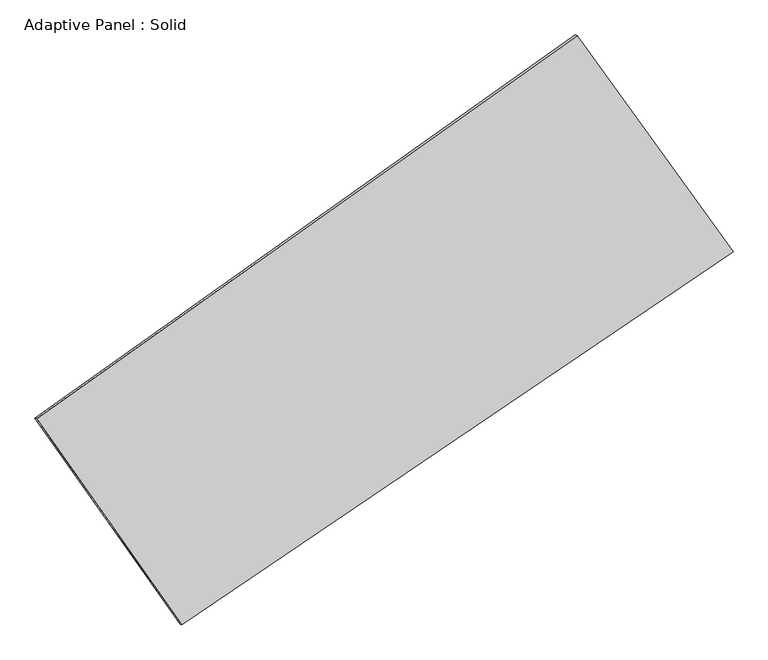
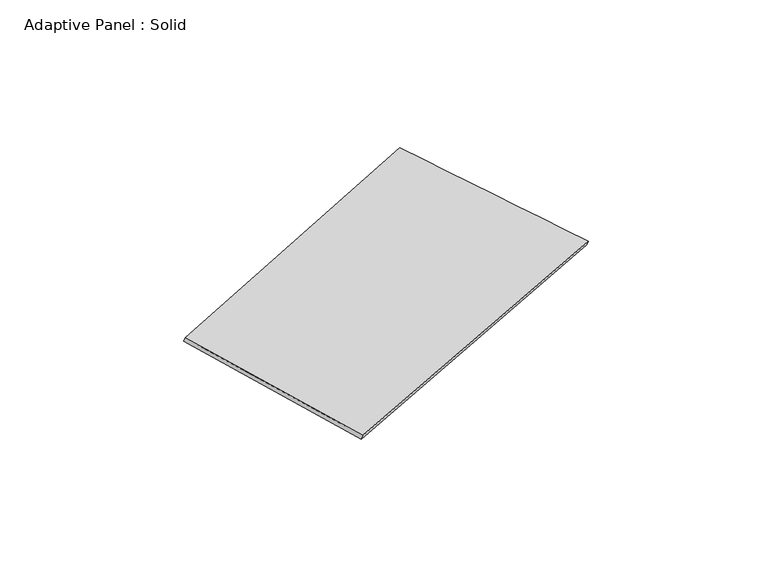
"""IFC4 building model written with IfcOpenShell, lengths in millimetres: plate geometry, Adaptive Panel : Solid."""

from ifc_helpers import new_model, si_unit, frame, origin, place, context, project, spatial, source, transform, mapped, element, save
from ifc_brep_helpers import plane_surface, spline_surface, advanced_brep


def adaptive_panel_solid_df904b1d(model_context):
    return source(origin(), model_context, "Body", "AdvancedBrep", [
        advanced_brep(
        [(1058.068601, 2505.3185778, 665.3417777), (-3680.5236536, -854.5671641, 1736.6149564), (-3665.8572978, -860.9472575, 1783.9878644), (1072.7349568, 2498.9384843, 712.7146857), (-2407.3975241, -2661.7352366, 1041.175353), (-2392.7311682, -2668.1153301, 1088.548261), (2426.5619986, 610.7352501, 41.9904332), (2441.2283544, 604.3551566, 89.3633412)],
        [
            (0, 1),
            (1, 2),
            (2, 3),
            (3, 0),
            (1, 4),
            (4, 5),
            (5, 2),
            (4, 6),
            (6, 7),
            (7, 5),
            (6, 0),
            (3, 7),
        ],
        [
            plane_surface(frame((-1311.2275263, 825.3757069, 1200.978367), z_axis=(-0.5158058779024046, 0.813303447731317, 0.2692244383960764), x_axis=(-0.8022217005161062, -0.5688130796095242, 0.18136158271854586))),
            plane_surface(frame((-3043.9605889, -1758.1512004, 1388.8951547), z_axis=(-0.777362718363531, -0.6087081815069013, 0.15868696816381334), x_axis=(0.549376940418749, -0.7798256931903083, -0.3000947609945726))),
            plane_surface(frame((9.5822373, -1025.4999933, 541.5828931), z_axis=(0.5020198859267812, -0.8228552750546426, -0.2662428035624812), x_axis=(0.8162189187078411, 0.5525599272503624, -0.16871337688659022))),
            plane_surface(frame((1742.3152998, 1558.0269139, 353.6661054), z_axis=(0.775174084834461, 0.6117748973780345, -0.15759636144007644), x_axis=(-0.5657643266257217, 0.7832611121883991, 0.2577067264375063))),
            spline_surface(1, 1, [[(-3665.8572978, -860.9472575, 1783.9878644), (1072.7349568, 2498.9384843, 712.7146857)], [(-2392.7311682, -2668.1153301, 1088.548261), (2441.2283544, 604.3551566, 89.3633412)]], [2, 2], [2, 2], [0.0, 1.0], [0.0, 1.0]),
            spline_surface(1, 1, [[(2426.5619986, 610.7352501, 41.9904332), (1058.068601, 2505.3185778, 665.3417777)], [(-2407.3975241, -2661.7352366, 1041.175353), (-3680.5236536, -854.5671641, 1736.6149564)]], [2, 2], [2, 2], [0.0, 1.0], [0.0, 1.0]),
        ],
        [
            (0, [[1, 2, 3, 4]]),
            (1, [[5, 6, 7, -2]]),
            (2, [[8, 9, 10, -6]]),
            (3, [[11, -4, 12, -9]]),
            (4, [[-3, -7, -10, -12]]),
            (5, [[-11, -8, -5, -1]]),
        ],
    ),
    ])


if __name__ == "__main__":
    model = new_model("IFC4")
    model_context = context("Model", 3, world=origin())
    ifc_project = project(units=[si_unit("LENGTHUNIT", "METRE", prefix="MILLI")], contexts=[model_context])
    site = spatial("IfcSite", under=ifc_project)
    building = spatial("IfcBuilding", under=site)
    placement = place(None, origin())
    adaptive_panel_solid_shape = adaptive_panel_solid_df904b1d(model_context)
    element("IfcPlate", 1, ObjectType="Adaptive Panel : Solid", at=placement, inside=building, context=model_context, shape_type="MappedRepresentation", body=[
        mapped(adaptive_panel_solid_shape, transform((0.0, 0.0, 0.0), x_axis=(1.0, 0.0, 0.0), y_axis=(0.0, 1.0, 0.0), z_axis=(0.0, 0.0, 1.0))),
    ])
    save(model, "model.ifc")
